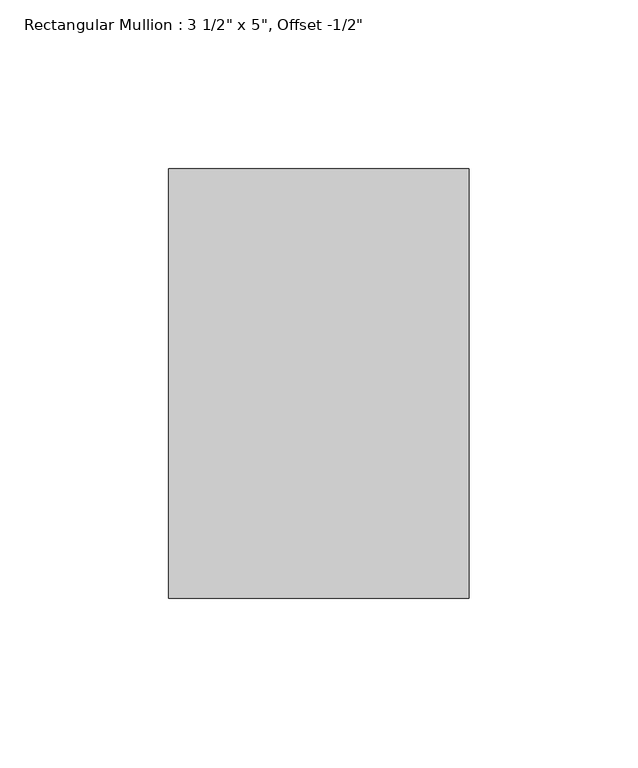
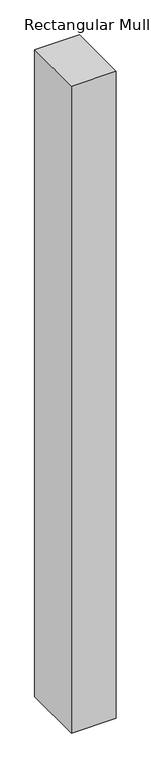
"""IFC4 building model written with IfcOpenShell, lengths in millimetres: member geometry."""

import ifcopenshell
import ifcopenshell.guid

model = None  # the IFC model being written
_history = None  # IfcOwnerHistory: only IFC2X3 demands one
_inside = {}  # id of a spatial element -> (the spatial element, [elements in it])
_under = {}  # id of a project, library or spatial element -> (it, [spatial elements below it])
_declared = {}  # id of a project -> (the project, [libraries it declares])
_typed = {}  # id of a type object -> (the type object, [elements of that type])
_made_of = {}  # id of a material, layer set ... -> (it, [elements and type objects made of it])


def new_model(schema):
    """Start an empty IFC model of exactly this schema.

    Asked for "IFC4X3", IfcOpenShell would pick the latest addendum, in which some entities
    have other attributes; the version numbers below select the first issue.
    IFC2X3 requires an IfcOwnerHistory on every rooted entity: one is made here for all.
    """
    global model, _history
    if schema == "IFC4X3":
        model = ifcopenshell.file(schema_version=(4, 3, 0, 0))
    else:
        model = ifcopenshell.file(schema=schema)
    _inside.clear()
    _under.clear()
    _declared.clear()
    _typed.clear()
    _made_of.clear()
    _history = None
    if model.schema == "IFC2X3":
        org = make("IfcOrganization", Name="unknown")
        user = make(
            "IfcPersonAndOrganization",
            ThePerson=make("IfcPerson", FamilyName="unknown"),
            TheOrganization=org,
        )
        app = make(
            "IfcApplication",
            ApplicationDeveloper=org,
            Version="unknown",
            ApplicationFullName="unknown",
            ApplicationIdentifier="unknown",
        )
        _history = make(
            "IfcOwnerHistory",
            OwningUser=user,
            OwningApplication=app,
            ChangeAction="ADDED",
            CreationDate=0,
        )
    return model


def make(cls, **values):
    """One entity of the class cls with the attributes given. An attribute that is None is left unset."""
    return model.create_entity(
        cls, **{name: value for name, value in values.items() if value is not None}
    )


def rooted(cls, **values):
    """An entity with a GlobalId (a new one), such as an element, a storey or a relation."""
    return make(cls, GlobalId=ifcopenshell.guid.new(), OwnerHistory=_history, **values)


def si_unit(unit_type, name, prefix=None):
    """IfcSIUnit, for example si_unit("LENGTHUNIT", "METRE", prefix="MILLI")."""
    return make("IfcSIUnit", UnitType=unit_type, Prefix=prefix, Name=name)


def assignment(units):
    """IfcUnitAssignment: the units of a project."""
    return None if units is None else make("IfcUnitAssignment", Units=units)


def point(xyz):
    """IfcCartesianPoint."""
    return None if xyz is None else make("IfcCartesianPoint", Coordinates=xyz)


def direction(xyz):
    """IfcDirection."""
    return None if xyz is None else make("IfcDirection", DirectionRatios=xyz)


def frame(location, z_axis=None, x_axis=None):
    """IfcAxis2Placement3D, a coordinate frame: its origin and axes. An axis left out is left unset."""
    return make(
        "IfcAxis2Placement3D",
        Location=point(location),
        Axis=direction(z_axis),
        RefDirection=direction(x_axis),
    )


def origin():
    """The frame at (0, 0, 0) with its axes left unset."""
    return frame((0.0, 0.0, 0.0))


def place(relative_to, where):
    """IfcLocalPlacement: puts the frame where relative to a parent placement (None: the world)."""
    return make(
        "IfcLocalPlacement", PlacementRelTo=relative_to, RelativePlacement=where
    )


def context(
    kind, dimensions, precision=None, world=None, true_north=None, identifier=None
):
    """IfcGeometricRepresentationContext, for example the 3D "Model" context."""
    return make(
        "IfcGeometricRepresentationContext",
        ContextIdentifier=identifier,
        ContextType=kind,
        CoordinateSpaceDimension=dimensions,
        Precision=precision,
        WorldCoordinateSystem=world,
        TrueNorth=true_north,
    )


def project(units=None, contexts=None):
    """IfcProject with its units and contexts."""
    return rooted(
        "IfcProject",
        Name="project",
        RepresentationContexts=contexts,
        UnitsInContext=assignment(units),
    )


def spatial(cls, under=None, at=None, **own):
    """A site, building, storey or space (cls), placed at a placement, below another one or the project."""
    s = rooted(cls, ObjectPlacement=at, **own)
    if under is not None:
        _under.setdefault(under.id(), (under, []))[1].append(s)
    return s


def polyline(points):
    """IfcPolyline through the points."""
    return make("IfcPolyline", Points=[point(p) for p in points])


def outline(outer, holes=None, kind="AREA"):
    """IfcArbitraryClosedProfileDef: a profile drawn as a closed curve; with holes, ...WithVoids."""
    if holes is None:
        return make("IfcArbitraryClosedProfileDef", ProfileType=kind, OuterCurve=outer)
    return make(
        "IfcArbitraryProfileDefWithVoids",
        ProfileType=kind,
        OuterCurve=outer,
        InnerCurves=holes,
    )


def extrude(swept, where, along, depth):
    """IfcExtrudedAreaSolid: the profile swept, set in the frame where, extruded along a direction by depth."""
    return make(
        "IfcExtrudedAreaSolid",
        SweptArea=swept,
        Position=where,
        ExtrudedDirection=direction(along),
        Depth=depth,
    )


def shape(context_of_items, identifier, shape_type, items):
    """IfcShapeRepresentation: the items that make up one representation, for example the "Body"."""
    return make(
        "IfcShapeRepresentation",
        ContextOfItems=context_of_items,
        RepresentationIdentifier=identifier,
        RepresentationType=shape_type,
        Items=items,
    )


def source(mapping_origin, context_of_items, identifier, shape_type, items):
    """IfcRepresentationMap: a shape defined once, which mapped items show again and again."""
    return make(
        "IfcRepresentationMap",
        MappingOrigin=mapping_origin,
        MappedRepresentation=shape(context_of_items, identifier, shape_type, items),
    )


def transform(
    local_origin,
    x_axis=None,
    y_axis=None,
    z_axis=None,
    scale=None,
    scale2=None,
    scale3=None,
    uniform=True,
):
    """IfcCartesianTransformationOperator3D, or its non-uniform kind. x_axis, y_axis, z_axis: its Axis1, 2, 3."""
    if uniform:
        return make(
            "IfcCartesianTransformationOperator3D",
            Axis1=direction(x_axis),
            Axis2=direction(y_axis),
            LocalOrigin=point(local_origin),
            Scale=scale,
            Axis3=direction(z_axis),
        )
    return make(
        "IfcCartesianTransformationOperator3DnonUniform",
        Axis1=direction(x_axis),
        Axis2=direction(y_axis),
        LocalOrigin=point(local_origin),
        Scale=scale,
        Axis3=direction(z_axis),
        Scale2=scale2,
        Scale3=scale3,
    )


def mapped(mapping_source, mapping_target):
    """IfcMappedItem: shows the shape of a source again, moved by a transform."""
    return make(
        "IfcMappedItem", MappingSource=mapping_source, MappingTarget=mapping_target
    )


def made_of(thing, what):
    """Note that an element or type object is made of a material, layer set ...; save() writes the relation."""
    if what is not None:
        _made_of.setdefault(what.id(), (what, []))[1].append(thing)
    return thing


def element(
    cls,
    number,
    at=None,
    inside=None,
    cuts=None,
    type_object=None,
    material=None,
    context=None,
    identifier="Body",
    shape_type=None,
    held_by="IfcProductDefinitionShape",
    body=None,
    shapes=None,
    **own,
):
    """One element of the class cls, such as IfcWall. Its Tag is "e" and its number.

    at: its placement. inside: the storey or other place that contains it. cuts: it is an
    opening in that element (IfcRelVoidsElement). A single representation is given by context,
    identifier, shape_type and body (its items); several are given by shapes. held_by: the class
    of the entity that holds the representations. save() writes the other relations.
    """
    e = rooted(cls, Tag="e%d" % number, ObjectPlacement=at, **own)
    if body is not None:
        shapes = [shape(context, identifier, shape_type, body)]
    if shapes is not None:
        e.Representation = make(held_by, Representations=shapes)
    if inside is not None:
        _inside.setdefault(inside.id(), (inside, []))[1].append(e)
    if cuts is not None:
        rooted(
            "IfcRelVoidsElement", RelatingBuildingElement=cuts, RelatedOpeningElement=e
        )
    if type_object is not None:
        _typed.setdefault(type_object.id(), (type_object, []))[1].append(e)
    return made_of(e, material)


def aggregate(whole, parts):
    """IfcRelAggregates: a whole, such as a stair, and the parts it consists of."""
    return rooted("IfcRelAggregates", RelatingObject=whole, RelatedObjects=parts)


def save(model, path):
    """Write the relations noted so far, then the file.

    IfcRelAggregates (storeys below a building ...), IfcRelContainedInSpatialStructure (elements
    in a storey), IfcRelDefinesByType, IfcRelAssociatesMaterial and IfcRelDeclares: one each for
    every whole, place, type object, material and project.
    """
    for whole, parts in _under.values():
        aggregate(whole, parts)
    for where, things in _inside.values():
        rooted(
            "IfcRelContainedInSpatialStructure",
            RelatedElements=things,
            RelatingStructure=where,
        )
    for kind, things in _typed.values():
        rooted("IfcRelDefinesByType", RelatedObjects=things, RelatingType=kind)
    for what, things in _made_of.values():
        rooted("IfcRelAssociatesMaterial", RelatedObjects=things, RelatingMaterial=what)
    for by, libraries in _declared.values():
        rooted("IfcRelDeclares", RelatingContext=by, RelatedDefinitions=libraries)
    model.write(path)


def member_3108d128(model_context):
    return source(origin(), model_context, "Body", "SweptSolid", [
        extrude(outline(polyline([(0.0, 76.2), (0.0, -50.8), (-88.9, -50.8), (-88.9, 76.2), (0.0, 76.2)])), frame((0.0, 0.0, -1362.9386643), z_axis=(0.0, 0.0, 1.0), x_axis=(1.0, 0.0, 0.0)), (0.0, 0.0, 1.0), 1362.9386643),
    ])


if __name__ == "__main__":
    model = new_model("IFC4")
    model_context = context("Model", 3, world=origin())
    ifc_project = project(units=[si_unit("LENGTHUNIT", "METRE", prefix="MILLI")], contexts=[model_context])
    site = spatial("IfcSite", under=ifc_project)
    building = spatial("IfcBuilding", under=site)
    placement = place(None, origin())
    member_shape = member_3108d128(model_context)
    element("IfcMember", 1, ObjectType="Rectangular Mullion : 3 1/2\" x 5\", Offset -1/2\"", at=placement, inside=building, context=model_context, shape_type="MappedRepresentation", body=[
        mapped(member_shape, transform((0.0, 0.0, 0.0), x_axis=(1.0, 0.0, 0.0), y_axis=(0.0, 1.0, 0.0), z_axis=(0.0, 0.0, 1.0))),
    ])
    save(model, "model.ifc")
